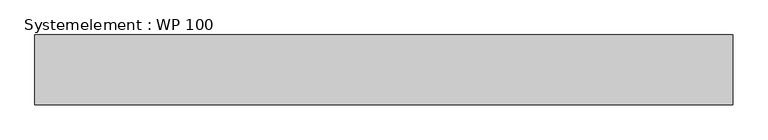
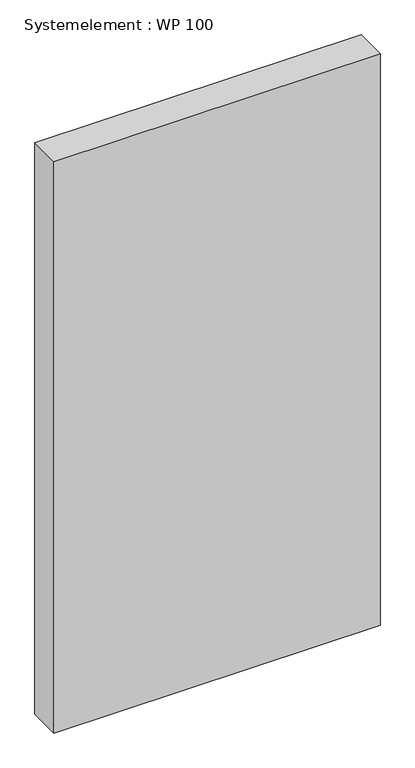
"""IFC4 building model written with IfcOpenShell, lengths in millimetres: plate geometry, Systemelement : WP 100."""

import ifcopenshell
import ifcopenshell.guid

model = None  # the IFC model being written
_history = None  # IfcOwnerHistory: only IFC2X3 demands one
_inside = {}  # id of a spatial element -> (the spatial element, [elements in it])
_under = {}  # id of a project, library or spatial element -> (it, [spatial elements below it])
_declared = {}  # id of a project -> (the project, [libraries it declares])
_typed = {}  # id of a type object -> (the type object, [elements of that type])
_made_of = {}  # id of a material, layer set ... -> (it, [elements and type objects made of it])


def new_model(schema):
    """Start an empty IFC model of exactly this schema.

    Asked for "IFC4X3", IfcOpenShell would pick the latest addendum, in which some entities
    have other attributes; the version numbers below select the first issue.
    IFC2X3 requires an IfcOwnerHistory on every rooted entity: one is made here for all.
    """
    global model, _history
    if schema == "IFC4X3":
        model = ifcopenshell.file(schema_version=(4, 3, 0, 0))
    else:
        model = ifcopenshell.file(schema=schema)
    _inside.clear()
    _under.clear()
    _declared.clear()
    _typed.clear()
    _made_of.clear()
    _history = None
    if model.schema == "IFC2X3":
        org = make("IfcOrganization", Name="unknown")
        user = make(
            "IfcPersonAndOrganization",
            ThePerson=make("IfcPerson", FamilyName="unknown"),
            TheOrganization=org,
        )
        app = make(
            "IfcApplication",
            ApplicationDeveloper=org,
            Version="unknown",
            ApplicationFullName="unknown",
            ApplicationIdentifier="unknown",
        )
        _history = make(
            "IfcOwnerHistory",
            OwningUser=user,
            OwningApplication=app,
            ChangeAction="ADDED",
            CreationDate=0,
        )
    return model


def make(cls, **values):
    """One entity of the class cls with the attributes given. An attribute that is None is left unset."""
    return model.create_entity(
        cls, **{name: value for name, value in values.items() if value is not None}
    )


def rooted(cls, **values):
    """An entity with a GlobalId (a new one), such as an element, a storey or a relation."""
    return make(cls, GlobalId=ifcopenshell.guid.new(), OwnerHistory=_history, **values)


def si_unit(unit_type, name, prefix=None):
    """IfcSIUnit, for example si_unit("LENGTHUNIT", "METRE", prefix="MILLI")."""
    return make("IfcSIUnit", UnitType=unit_type, Prefix=prefix, Name=name)


def assignment(units):
    """IfcUnitAssignment: the units of a project."""
    return None if units is None else make("IfcUnitAssignment", Units=units)


def point(xyz):
    """IfcCartesianPoint."""
    return None if xyz is None else make("IfcCartesianPoint", Coordinates=xyz)


def direction(xyz):
    """IfcDirection."""
    return None if xyz is None else make("IfcDirection", DirectionRatios=xyz)


def frame(location, z_axis=None, x_axis=None):
    """IfcAxis2Placement3D, a coordinate frame: its origin and axes. An axis left out is left unset."""
    return make(
        "IfcAxis2Placement3D",
        Location=point(location),
        Axis=direction(z_axis),
        RefDirection=direction(x_axis),
    )


def origin():
    """The frame at (0, 0, 0) with its axes left unset."""
    return frame((0.0, 0.0, 0.0))


def origin_with_axes():
    """The frame at (0, 0, 0) with the z axis (0, 0, 1) and the x axis (1, 0, 0) written out."""
    return frame((0.0, 0.0, 0.0), z_axis=(0.0, 0.0, 1.0), x_axis=(1.0, 0.0, 0.0))


def place(relative_to, where):
    """IfcLocalPlacement: puts the frame where relative to a parent placement (None: the world)."""
    return make(
        "IfcLocalPlacement", PlacementRelTo=relative_to, RelativePlacement=where
    )


def context(
    kind, dimensions, precision=None, world=None, true_north=None, identifier=None
):
    """IfcGeometricRepresentationContext, for example the 3D "Model" context."""
    return make(
        "IfcGeometricRepresentationContext",
        ContextIdentifier=identifier,
        ContextType=kind,
        CoordinateSpaceDimension=dimensions,
        Precision=precision,
        WorldCoordinateSystem=world,
        TrueNorth=true_north,
    )


def project(units=None, contexts=None):
    """IfcProject with its units and contexts."""
    return rooted(
        "IfcProject",
        Name="project",
        RepresentationContexts=contexts,
        UnitsInContext=assignment(units),
    )


def spatial(cls, under=None, at=None, **own):
    """A site, building, storey or space (cls), placed at a placement, below another one or the project."""
    s = rooted(cls, ObjectPlacement=at, **own)
    if under is not None:
        _under.setdefault(under.id(), (under, []))[1].append(s)
    return s


def polyline(points):
    """IfcPolyline through the points."""
    return make("IfcPolyline", Points=[point(p) for p in points])


def outline(outer, holes=None, kind="AREA"):
    """IfcArbitraryClosedProfileDef: a profile drawn as a closed curve; with holes, ...WithVoids."""
    if holes is None:
        return make("IfcArbitraryClosedProfileDef", ProfileType=kind, OuterCurve=outer)
    return make(
        "IfcArbitraryProfileDefWithVoids",
        ProfileType=kind,
        OuterCurve=outer,
        InnerCurves=holes,
    )


def extrude(swept, where, along, depth):
    """IfcExtrudedAreaSolid: the profile swept, set in the frame where, extruded along a direction by depth."""
    return make(
        "IfcExtrudedAreaSolid",
        SweptArea=swept,
        Position=where,
        ExtrudedDirection=direction(along),
        Depth=depth,
    )


def shape(context_of_items, identifier, shape_type, items):
    """IfcShapeRepresentation: the items that make up one representation, for example the "Body"."""
    return make(
        "IfcShapeRepresentation",
        ContextOfItems=context_of_items,
        RepresentationIdentifier=identifier,
        RepresentationType=shape_type,
        Items=items,
    )


def source(mapping_origin, context_of_items, identifier, shape_type, items):
    """IfcRepresentationMap: a shape defined once, which mapped items show again and again."""
    return make(
        "IfcRepresentationMap",
        MappingOrigin=mapping_origin,
        MappedRepresentation=shape(context_of_items, identifier, shape_type, items),
    )


def transform(
    local_origin,
    x_axis=None,
    y_axis=None,
    z_axis=None,
    scale=None,
    scale2=None,
    scale3=None,
    uniform=True,
):
    """IfcCartesianTransformationOperator3D, or its non-uniform kind. x_axis, y_axis, z_axis: its Axis1, 2, 3."""
    if uniform:
        return make(
            "IfcCartesianTransformationOperator3D",
            Axis1=direction(x_axis),
            Axis2=direction(y_axis),
            LocalOrigin=point(local_origin),
            Scale=scale,
            Axis3=direction(z_axis),
        )
    return make(
        "IfcCartesianTransformationOperator3DnonUniform",
        Axis1=direction(x_axis),
        Axis2=direction(y_axis),
        LocalOrigin=point(local_origin),
        Scale=scale,
        Axis3=direction(z_axis),
        Scale2=scale2,
        Scale3=scale3,
    )


def mapped(mapping_source, mapping_target):
    """IfcMappedItem: shows the shape of a source again, moved by a transform."""
    return make(
        "IfcMappedItem", MappingSource=mapping_source, MappingTarget=mapping_target
    )


def made_of(thing, what):
    """Note that an element or type object is made of a material, layer set ...; save() writes the relation."""
    if what is not None:
        _made_of.setdefault(what.id(), (what, []))[1].append(thing)
    return thing


def element(
    cls,
    number,
    at=None,
    inside=None,
    cuts=None,
    type_object=None,
    material=None,
    context=None,
    identifier="Body",
    shape_type=None,
    held_by="IfcProductDefinitionShape",
    body=None,
    shapes=None,
    **own,
):
    """One element of the class cls, such as IfcWall. Its Tag is "e" and its number.

    at: its placement. inside: the storey or other place that contains it. cuts: it is an
    opening in that element (IfcRelVoidsElement). A single representation is given by context,
    identifier, shape_type and body (its items); several are given by shapes. held_by: the class
    of the entity that holds the representations. save() writes the other relations.
    """
    e = rooted(cls, Tag="e%d" % number, ObjectPlacement=at, **own)
    if body is not None:
        shapes = [shape(context, identifier, shape_type, body)]
    if shapes is not None:
        e.Representation = make(held_by, Representations=shapes)
    if inside is not None:
        _inside.setdefault(inside.id(), (inside, []))[1].append(e)
    if cuts is not None:
        rooted(
            "IfcRelVoidsElement", RelatingBuildingElement=cuts, RelatedOpeningElement=e
        )
    if type_object is not None:
        _typed.setdefault(type_object.id(), (type_object, []))[1].append(e)
    return made_of(e, material)


def aggregate(whole, parts):
    """IfcRelAggregates: a whole, such as a stair, and the parts it consists of."""
    return rooted("IfcRelAggregates", RelatingObject=whole, RelatedObjects=parts)


def save(model, path):
    """Write the relations noted so far, then the file.

    IfcRelAggregates (storeys below a building ...), IfcRelContainedInSpatialStructure (elements
    in a storey), IfcRelDefinesByType, IfcRelAssociatesMaterial and IfcRelDeclares: one each for
    every whole, place, type object, material and project.
    """
    for whole, parts in _under.values():
        aggregate(whole, parts)
    for where, things in _inside.values():
        rooted(
            "IfcRelContainedInSpatialStructure",
            RelatedElements=things,
            RelatingStructure=where,
        )
    for kind, things in _typed.values():
        rooted("IfcRelDefinesByType", RelatedObjects=things, RelatingType=kind)
    for what, things in _made_of.values():
        rooted("IfcRelAssociatesMaterial", RelatedObjects=things, RelatingMaterial=what)
    for by, libraries in _declared.values():
        rooted("IfcRelDeclares", RelatingContext=by, RelatedDefinitions=libraries)
    model.write(path)


def systemelement_wp_100_790f7e9f(model_context):
    return source(origin(), model_context, "Body", "SweptSolid", [
        extrude(outline(polyline([(500.0, -100.0), (-500.0, -100.0), (-500.0, 0.0), (500.0, 0.0), (500.0, -100.0)])), origin_with_axes(), (0.0, 0.0, 1.0), 1851.6147161),
    ])


if __name__ == "__main__":
    model = new_model("IFC4")
    model_context = context("Model", 3, world=origin())
    ifc_project = project(units=[si_unit("LENGTHUNIT", "METRE", prefix="MILLI")], contexts=[model_context])
    site = spatial("IfcSite", under=ifc_project)
    building = spatial("IfcBuilding", under=site)
    placement = place(None, origin())
    systemelement_wp_100_shape = systemelement_wp_100_790f7e9f(model_context)
    element("IfcPlate", 1, ObjectType="Systemelement : WP 100", at=placement, inside=building, context=model_context, shape_type="MappedRepresentation", body=[
        mapped(systemelement_wp_100_shape, transform((0.0, 0.0, 0.0), x_axis=(1.0, 0.0, 0.0), y_axis=(0.0, 1.0, 0.0), z_axis=(0.0, 0.0, 1.0))),
    ])
    save(model, "model.ifc")
